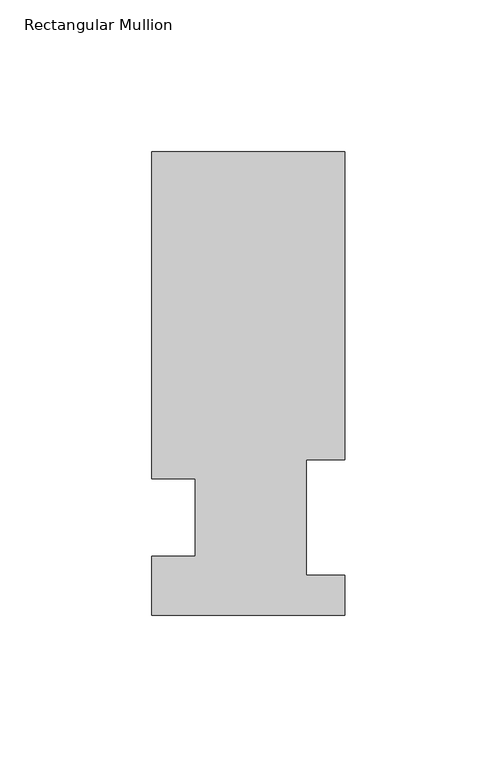
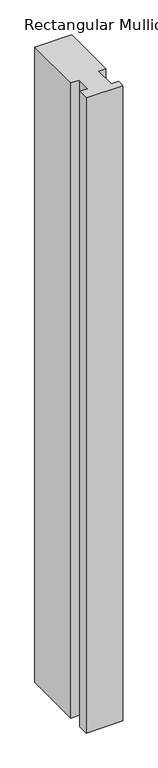
"""IFC4 building model written with IfcOpenShell, lengths in millimetres: member geometry, Rectangular Mullion."""

from ifc_helpers import new_model, si_unit, frame, origin, place, context, project, spatial, polyline, outline, extrude, source, transform, mapped, element, save


def rectangular_mullion_7eb13cfa(model_context):
    return source(origin(), model_context, "Body", "SweptSolid", [
        extrude(outline(polyline([(-31.75, 44.9460937), (-31.75, 152.4896937), (31.75, 152.4896937), (31.75, 51.2960937), (19.05, 51.2960938), (19.05, 13.1960937), (31.75, 13.1960937), (31.75, 0.0134937), (-31.75, 0.0134937), (-31.75, 19.5460937), (-17.4625, 19.5460937), (-17.4625, 44.9460937), (-31.75, 44.9460937)])), frame((0.0, 0.0, -1155.7), z_axis=(0.0, 0.0, 1.0), x_axis=(1.0, 0.0, 0.0)), (0.0, 0.0, 1.0), 1155.7),
    ])


if __name__ == "__main__":
    model = new_model("IFC4")
    model_context = context("Model", 3, world=origin())
    ifc_project = project(units=[si_unit("LENGTHUNIT", "METRE", prefix="MILLI")], contexts=[model_context])
    site = spatial("IfcSite", under=ifc_project)
    building = spatial("IfcBuilding", under=site)
    placement = place(None, origin())
    rectangular_mullion_shape = rectangular_mullion_7eb13cfa(model_context)
    element("IfcMember", 1, ObjectType="Rectangular Mullion", at=placement, inside=building, context=model_context, shape_type="MappedRepresentation", body=[
        mapped(rectangular_mullion_shape, transform((0.0, 0.0, 0.0), x_axis=(1.0, 0.0, 0.0), y_axis=(0.0, 1.0, 0.0), z_axis=(0.0, 0.0, 1.0))),
    ])
    save(model, "model.ifc")
